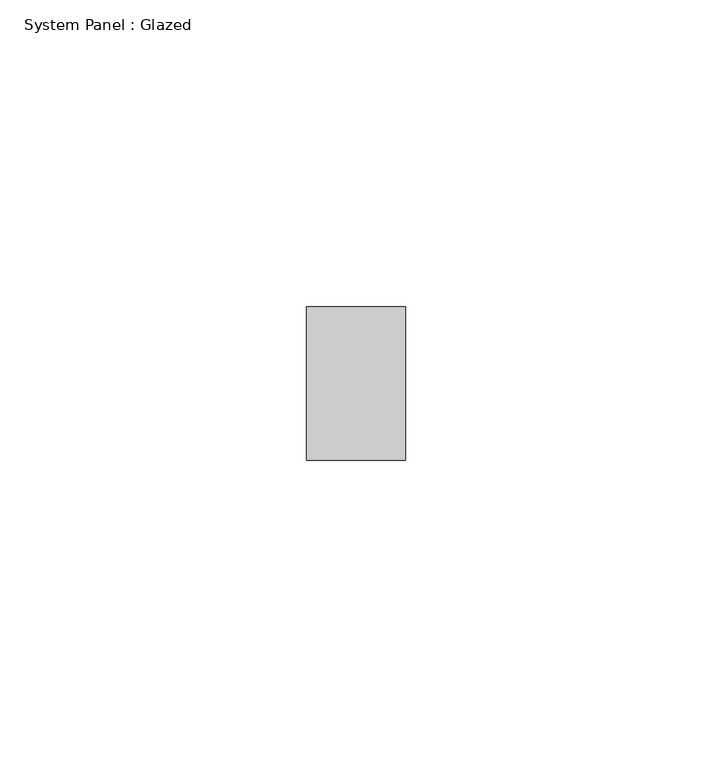
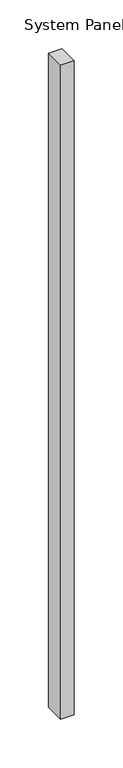
"""IFC4 building model written with IfcOpenShell, lengths in millimetres: plate geometry, System Panel : Glazed."""

import ifcopenshell
import ifcopenshell.guid

model = None  # the IFC model being written
_history = None  # IfcOwnerHistory: only IFC2X3 demands one
_inside = {}  # id of a spatial element -> (the spatial element, [elements in it])
_under = {}  # id of a project, library or spatial element -> (it, [spatial elements below it])
_declared = {}  # id of a project -> (the project, [libraries it declares])
_typed = {}  # id of a type object -> (the type object, [elements of that type])
_made_of = {}  # id of a material, layer set ... -> (it, [elements and type objects made of it])


def new_model(schema):
    """Start an empty IFC model of exactly this schema.

    Asked for "IFC4X3", IfcOpenShell would pick the latest addendum, in which some entities
    have other attributes; the version numbers below select the first issue.
    IFC2X3 requires an IfcOwnerHistory on every rooted entity: one is made here for all.
    """
    global model, _history
    if schema == "IFC4X3":
        model = ifcopenshell.file(schema_version=(4, 3, 0, 0))
    else:
        model = ifcopenshell.file(schema=schema)
    _inside.clear()
    _under.clear()
    _declared.clear()
    _typed.clear()
    _made_of.clear()
    _history = None
    if model.schema == "IFC2X3":
        org = make("IfcOrganization", Name="unknown")
        user = make(
            "IfcPersonAndOrganization",
            ThePerson=make("IfcPerson", FamilyName="unknown"),
            TheOrganization=org,
        )
        app = make(
            "IfcApplication",
            ApplicationDeveloper=org,
            Version="unknown",
            ApplicationFullName="unknown",
            ApplicationIdentifier="unknown",
        )
        _history = make(
            "IfcOwnerHistory",
            OwningUser=user,
            OwningApplication=app,
            ChangeAction="ADDED",
            CreationDate=0,
        )
    return model


def make(cls, **values):
    """One entity of the class cls with the attributes given. An attribute that is None is left unset."""
    return model.create_entity(
        cls, **{name: value for name, value in values.items() if value is not None}
    )


def rooted(cls, **values):
    """An entity with a GlobalId (a new one), such as an element, a storey or a relation."""
    return make(cls, GlobalId=ifcopenshell.guid.new(), OwnerHistory=_history, **values)


def si_unit(unit_type, name, prefix=None):
    """IfcSIUnit, for example si_unit("LENGTHUNIT", "METRE", prefix="MILLI")."""
    return make("IfcSIUnit", UnitType=unit_type, Prefix=prefix, Name=name)


def assignment(units):
    """IfcUnitAssignment: the units of a project."""
    return None if units is None else make("IfcUnitAssignment", Units=units)


def point(xyz):
    """IfcCartesianPoint."""
    return None if xyz is None else make("IfcCartesianPoint", Coordinates=xyz)


def direction(xyz):
    """IfcDirection."""
    return None if xyz is None else make("IfcDirection", DirectionRatios=xyz)


def frame(location, z_axis=None, x_axis=None):
    """IfcAxis2Placement3D, a coordinate frame: its origin and axes. An axis left out is left unset."""
    return make(
        "IfcAxis2Placement3D",
        Location=point(location),
        Axis=direction(z_axis),
        RefDirection=direction(x_axis),
    )


def origin():
    """The frame at (0, 0, 0) with its axes left unset."""
    return frame((0.0, 0.0, 0.0))


def origin_with_axes():
    """The frame at (0, 0, 0) with the z axis (0, 0, 1) and the x axis (1, 0, 0) written out."""
    return frame((0.0, 0.0, 0.0), z_axis=(0.0, 0.0, 1.0), x_axis=(1.0, 0.0, 0.0))


def place(relative_to, where):
    """IfcLocalPlacement: puts the frame where relative to a parent placement (None: the world)."""
    return make(
        "IfcLocalPlacement", PlacementRelTo=relative_to, RelativePlacement=where
    )


def context(
    kind, dimensions, precision=None, world=None, true_north=None, identifier=None
):
    """IfcGeometricRepresentationContext, for example the 3D "Model" context."""
    return make(
        "IfcGeometricRepresentationContext",
        ContextIdentifier=identifier,
        ContextType=kind,
        CoordinateSpaceDimension=dimensions,
        Precision=precision,
        WorldCoordinateSystem=world,
        TrueNorth=true_north,
    )


def project(units=None, contexts=None):
    """IfcProject with its units and contexts."""
    return rooted(
        "IfcProject",
        Name="project",
        RepresentationContexts=contexts,
        UnitsInContext=assignment(units),
    )


def spatial(cls, under=None, at=None, **own):
    """A site, building, storey or space (cls), placed at a placement, below another one or the project."""
    s = rooted(cls, ObjectPlacement=at, **own)
    if under is not None:
        _under.setdefault(under.id(), (under, []))[1].append(s)
    return s


def polyline(points):
    """IfcPolyline through the points."""
    return make("IfcPolyline", Points=[point(p) for p in points])


def outline(outer, holes=None, kind="AREA"):
    """IfcArbitraryClosedProfileDef: a profile drawn as a closed curve; with holes, ...WithVoids."""
    if holes is None:
        return make("IfcArbitraryClosedProfileDef", ProfileType=kind, OuterCurve=outer)
    return make(
        "IfcArbitraryProfileDefWithVoids",
        ProfileType=kind,
        OuterCurve=outer,
        InnerCurves=holes,
    )


def extrude(swept, where, along, depth):
    """IfcExtrudedAreaSolid: the profile swept, set in the frame where, extruded along a direction by depth."""
    return make(
        "IfcExtrudedAreaSolid",
        SweptArea=swept,
        Position=where,
        ExtrudedDirection=direction(along),
        Depth=depth,
    )


def shape(context_of_items, identifier, shape_type, items):
    """IfcShapeRepresentation: the items that make up one representation, for example the "Body"."""
    return make(
        "IfcShapeRepresentation",
        ContextOfItems=context_of_items,
        RepresentationIdentifier=identifier,
        RepresentationType=shape_type,
        Items=items,
    )


def source(mapping_origin, context_of_items, identifier, shape_type, items):
    """IfcRepresentationMap: a shape defined once, which mapped items show again and again."""
    return make(
        "IfcRepresentationMap",
        MappingOrigin=mapping_origin,
        MappedRepresentation=shape(context_of_items, identifier, shape_type, items),
    )


def transform(
    local_origin,
    x_axis=None,
    y_axis=None,
    z_axis=None,
    scale=None,
    scale2=None,
    scale3=None,
    uniform=True,
):
    """IfcCartesianTransformationOperator3D, or its non-uniform kind. x_axis, y_axis, z_axis: its Axis1, 2, 3."""
    if uniform:
        return make(
            "IfcCartesianTransformationOperator3D",
            Axis1=direction(x_axis),
            Axis2=direction(y_axis),
            LocalOrigin=point(local_origin),
            Scale=scale,
            Axis3=direction(z_axis),
        )
    return make(
        "IfcCartesianTransformationOperator3DnonUniform",
        Axis1=direction(x_axis),
        Axis2=direction(y_axis),
        LocalOrigin=point(local_origin),
        Scale=scale,
        Axis3=direction(z_axis),
        Scale2=scale2,
        Scale3=scale3,
    )


def mapped(mapping_source, mapping_target):
    """IfcMappedItem: shows the shape of a source again, moved by a transform."""
    return make(
        "IfcMappedItem", MappingSource=mapping_source, MappingTarget=mapping_target
    )


def made_of(thing, what):
    """Note that an element or type object is made of a material, layer set ...; save() writes the relation."""
    if what is not None:
        _made_of.setdefault(what.id(), (what, []))[1].append(thing)
    return thing


def element(
    cls,
    number,
    at=None,
    inside=None,
    cuts=None,
    type_object=None,
    material=None,
    context=None,
    identifier="Body",
    shape_type=None,
    held_by="IfcProductDefinitionShape",
    body=None,
    shapes=None,
    **own,
):
    """One element of the class cls, such as IfcWall. Its Tag is "e" and its number.

    at: its placement. inside: the storey or other place that contains it. cuts: it is an
    opening in that element (IfcRelVoidsElement). A single representation is given by context,
    identifier, shape_type and body (its items); several are given by shapes. held_by: the class
    of the entity that holds the representations. save() writes the other relations.
    """
    e = rooted(cls, Tag="e%d" % number, ObjectPlacement=at, **own)
    if body is not None:
        shapes = [shape(context, identifier, shape_type, body)]
    if shapes is not None:
        e.Representation = make(held_by, Representations=shapes)
    if inside is not None:
        _inside.setdefault(inside.id(), (inside, []))[1].append(e)
    if cuts is not None:
        rooted(
            "IfcRelVoidsElement", RelatingBuildingElement=cuts, RelatedOpeningElement=e
        )
    if type_object is not None:
        _typed.setdefault(type_object.id(), (type_object, []))[1].append(e)
    return made_of(e, material)


def aggregate(whole, parts):
    """IfcRelAggregates: a whole, such as a stair, and the parts it consists of."""
    return rooted("IfcRelAggregates", RelatingObject=whole, RelatedObjects=parts)


def save(model, path):
    """Write the relations noted so far, then the file.

    IfcRelAggregates (storeys below a building ...), IfcRelContainedInSpatialStructure (elements
    in a storey), IfcRelDefinesByType, IfcRelAssociatesMaterial and IfcRelDeclares: one each for
    every whole, place, type object, material and project.
    """
    for whole, parts in _under.values():
        aggregate(whole, parts)
    for where, things in _inside.values():
        rooted(
            "IfcRelContainedInSpatialStructure",
            RelatedElements=things,
            RelatingStructure=where,
        )
    for kind, things in _typed.values():
        rooted("IfcRelDefinesByType", RelatedObjects=things, RelatingType=kind)
    for what, things in _made_of.values():
        rooted("IfcRelAssociatesMaterial", RelatedObjects=things, RelatingMaterial=what)
    for by, libraries in _declared.values():
        rooted("IfcRelDeclares", RelatingContext=by, RelatedDefinitions=libraries)
    model.write(path)


def system_panel_glazed_8abc5817(model_context):
    return source(origin(), model_context, "Body", "SweptSolid", [
        extrude(outline(polyline([(8.0445259, 24.5), (-8.0445259, 24.5), (-8.0445259, 49.5), (8.0445259, 49.5), (8.0445259, 24.5)])), origin_with_axes(), (0.0, 0.0, 1.0), 820.0),
    ])


if __name__ == "__main__":
    model = new_model("IFC4")
    model_context = context("Model", 3, world=origin())
    ifc_project = project(units=[si_unit("LENGTHUNIT", "METRE", prefix="MILLI")], contexts=[model_context])
    site = spatial("IfcSite", under=ifc_project)
    building = spatial("IfcBuilding", under=site)
    placement = place(None, origin())
    system_panel_glazed_shape = system_panel_glazed_8abc5817(model_context)
    element("IfcPlate", 1, ObjectType="System Panel : Glazed", at=placement, inside=building, context=model_context, shape_type="MappedRepresentation", body=[
        mapped(system_panel_glazed_shape, transform((0.0, 0.0, 0.0), x_axis=(1.0, 0.0, 0.0), y_axis=(0.0, 1.0, 0.0), z_axis=(0.0, 0.0, 1.0))),
    ])
    save(model, "model.ifc")
